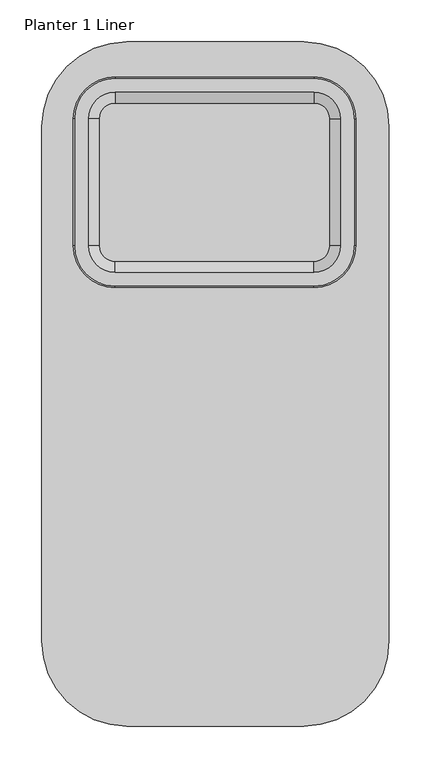
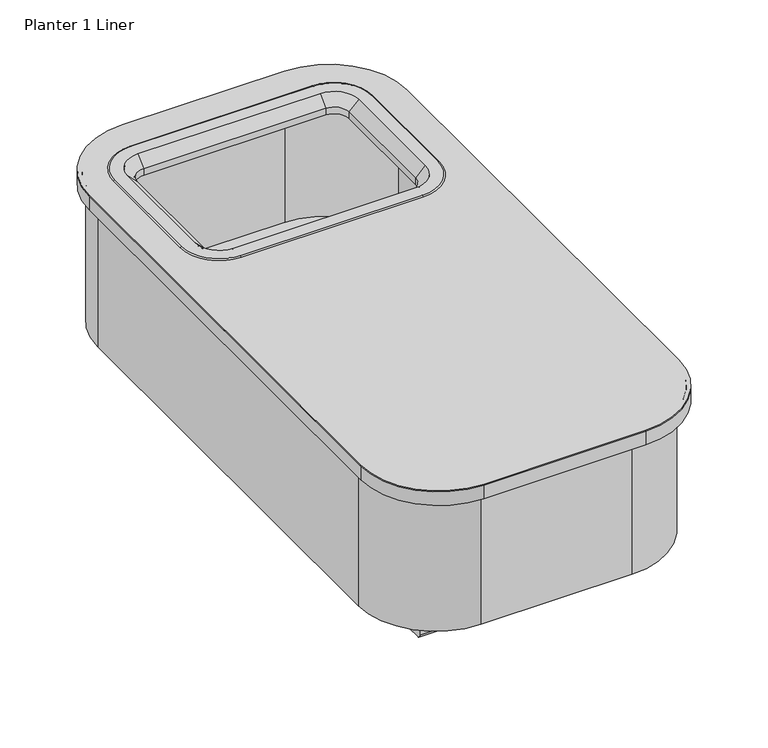
"""IFC4 building model written with IfcOpenShell, lengths in millimetres: furniture geometry, Planter 1 Liner."""

from ifc_helpers import new_model, si_unit, point, frame, frame_2d, origin, place, context, project, spatial, polyline, circle_curve, ellipse_curve, trimmed, segment, composite_curve, outline, extrude, source, transform, mapped, element, save
from ifc_brep_helpers import plane_surface, cylinder_surface, revolved_surface, advanced_brep


def planter_1_liner_2fb4910a(model_context):
    return source(origin(), model_context, "Body", "SolidModel", [
        advanced_brep(
        [(-99.8317392, 1.5738238, 336.1353963), (1.7667511, 103.1756653, 336.1353963), (1.7667511, 103.1756653, 337.5117024), (-99.8317392, 1.5738238, 337.5117024), (-99.8318137, 6.5835657, 317.458784), (-3.2429907, 103.1755745, 317.458784), (-3.2429907, 103.1755745, 336.1353963), (-99.8318137, 6.5835657, 336.1353963), (-311.6655737, 1.5706763, 337.5117024), (-311.6655737, 1.5706763, 336.1353963), (-311.6656481, 6.5804182, 336.1353963), (-311.6656481, 6.5804182, 317.458784), (-413.2670833, 103.1706763, 337.5117024), (-413.2670833, 103.1706763, 336.1353963), (-408.2573414, 103.1706763, 336.1353963), (-408.2573414, 103.1706763, 317.458784), (-413.2670833, 716.8822036, 337.5117024), (-413.2670833, 716.8822036, 336.1353963), (-408.2573414, 716.8822036, 336.1353963), (-408.2573414, 716.8822036, 317.458784), (-311.6674147, 818.4822036, 337.5117024), (-311.6674147, 818.4822036, 336.1353963), (-311.6673984, 813.4724617, 336.1353963), (-311.6673984, 813.4724617, 317.458784), (-356.4100674, 734.6877585, 317.458784), (-344.7208795, 751.9024687, 317.458784), (-344.7208795, 751.9024687, 337.5117024), (-356.4100674, 734.6877585, 337.5117024), (-99.8447036, 818.4828946, 337.5117024), (-99.8447036, 818.4828946, 336.1353963), (-99.8446872, 813.4731527, 336.1353963), (-99.8446872, 813.4731527, 317.458784), (1.7556278, 716.8847361, 337.5117024), (1.7556278, 716.8847361, 336.1353963), (-3.254114, 716.8846453, 336.1353963), (-3.254114, 716.8846453, 317.458784), (-325.7489393, 758.1941108, 337.5117024), (-88.0437417, 758.1941108, 337.5117024), (-56.2937417, 726.4441108, 337.5117024), (-56.2937417, 575.1960542, 337.5117024), (-88.0437417, 543.4460542, 337.5117024), (-325.7489393, 543.4460542, 337.5117024), (-357.4989393, 575.1960542, 337.5117024), (-357.4989393, 726.4441108, 337.5117024), (-357.4989393, 726.4441108, 317.458784), (-357.4989393, 575.1960542, 317.458784), (-325.7489393, 543.4460542, 317.458784), (-88.0437417, 543.4460542, 317.458784), (-56.2937417, 575.1960542, 317.458784), (-56.2937417, 726.4441108, 317.458784), (-88.0437417, 758.1941108, 317.458784), (-325.7489393, 758.1941108, 317.458784)],
        [
            (0, 1, circle_curve(frame((-99.8332488, 103.1738238, 336.1353963), z_axis=(0.0, 0.0, 1.0), x_axis=(0.9999999998357476, 1.8124700984641686e-05, 0.0)), 101.6)),
            (1, 2),
            (2, 3, circle_curve(frame((-99.8332488, 103.1738238, 337.5117024), z_axis=(0.0, 0.0, -1.0), x_axis=(0.9999999998357476, 1.8124700984641686e-05, 0.0)), 101.6)),
            (3, 0),
            (4, 5, circle_curve(frame((-99.8332488, 103.1738238, 317.458784), z_axis=(0.0, 0.0, 1.0), x_axis=(0.9999999998357476, 1.8124700984641686e-05, 0.0)), 96.5902581)),
            (5, 6),
            (6, 7, circle_curve(frame((-99.8332488, 103.1738238, 336.1353963), z_axis=(0.0, 0.0, -1.0), x_axis=(0.9999999998357476, 1.8124700984641686e-05, 0.0)), 96.5902581)),
            (7, 4),
            (3, 8),
            (8, 9),
            (9, 0),
            (7, 10),
            (10, 11),
            (11, 4),
            (8, 12, circle_curve(frame((-311.6670833, 103.1706763, 337.5117024), z_axis=(0.0, 0.0, -1.0), x_axis=(1.4858351040828129e-05, -0.9999999998896147, 0.0)), 101.6)),
            (12, 13),
            (13, 9, circle_curve(frame((-311.6670833, 103.1706763, 336.1353963), z_axis=(0.0, 0.0, 1.0), x_axis=(1.4858351040828129e-05, -0.9999999998896147, 0.0)), 101.6)),
            (10, 14, circle_curve(frame((-311.6670833, 103.1706763, 336.1353963), z_axis=(0.0, 0.0, -1.0), x_axis=(1.4858351040828129e-05, -0.9999999998896147, 0.0)), 96.5902581)),
            (14, 15),
            (15, 11, circle_curve(frame((-311.6670833, 103.1706763, 317.458784), z_axis=(0.0, 0.0, 1.0), x_axis=(1.4858351040828129e-05, -0.9999999998896147, 0.0)), 96.5902581)),
            (12, 16),
            (16, 17),
            (17, 13),
            (14, 18),
            (18, 19),
            (19, 15),
            (16, 20, circle_curve(frame((-311.6670833, 716.8822036, 337.5117024), z_axis=(0.0, 0.0, -1.0), x_axis=(-1.0, 0.0, 0.0)), 101.6)),
            (20, 21),
            (21, 17, circle_curve(frame((-311.6670833, 716.8822036, 336.1353963), z_axis=(0.0, 0.0, 1.0), x_axis=(-1.0, 0.0, 0.0)), 101.6)),
            (18, 22, circle_curve(frame((-311.6670833, 716.8822036, 336.1353963), z_axis=(0.0, 0.0, -1.0), x_axis=(-1.0, 0.0, 0.0)), 96.5902581)),
            (22, 23),
            (23, 19, circle_curve(frame((-311.6670833, 716.8822036, 317.458784), z_axis=(0.0, 0.0, 1.0), x_axis=(-1.0, 0.0, 0.0)), 96.5902581)),
            (24, 25, circle_curve(frame((-311.6670833, 716.8822036, 317.458784), z_axis=(0.0, 0.0, -1.0), x_axis=(-1.0, 0.0, 0.0)), 48.15571)),
            (25, 26),
            (26, 27, circle_curve(frame((-311.6670833, 716.8822036, 337.5117024), z_axis=(0.0, 0.0, 1.0), x_axis=(-1.0, 0.0, 0.0)), 48.15571)),
            (27, 24),
            (20, 28),
            (28, 29),
            (29, 21),
            (22, 30),
            (30, 31),
            (31, 23),
            (28, 32, circle_curve(frame((-99.8443721, 716.8828946, 337.5117024), z_axis=(0.0, 0.0, -1.0), x_axis=(-3.2622334666501638e-06, 0.9999999999946789, 0.0)), 101.6)),
            (32, 33),
            (33, 29, circle_curve(frame((-99.8443721, 716.8828946, 336.1353963), z_axis=(0.0, 0.0, 1.0), x_axis=(-3.2622334666501638e-06, 0.9999999999946789, 0.0)), 101.6)),
            (30, 34, circle_curve(frame((-99.8443721, 716.8828946, 336.1353963), z_axis=(0.0, 0.0, -1.0), x_axis=(-3.2622334666501638e-06, 0.9999999999946789, 0.0)), 96.5902581)),
            (34, 35),
            (35, 31, circle_curve(frame((-99.8443721, 716.8828946, 317.458784), z_axis=(0.0, 0.0, 1.0), x_axis=(-3.2622334666501638e-06, 0.9999999999946789, 0.0)), 96.5902581)),
            (2, 32),
            (26, 36, circle_curve(frame((-325.7489393, 726.4441108, 337.5117024), z_axis=(0.0, 0.0, -1.0), x_axis=(-1.0, 0.0, 0.0)), 31.75)),
            (36, 37),
            (37, 38, circle_curve(frame((-88.0437417, 726.4441108, 337.5117024), z_axis=(0.0, 0.0, -1.0), x_axis=(0.0, 1.0, 0.0)), 31.75)),
            (38, 39),
            (39, 40, circle_curve(frame((-88.0437417, 575.1960542, 337.5117024), z_axis=(0.0, 0.0, -1.0), x_axis=(1.0, 0.0, 0.0)), 31.75)),
            (40, 41),
            (41, 42, circle_curve(frame((-325.7489393, 575.1960542, 337.5117024), z_axis=(0.0, 0.0, -1.0), x_axis=(0.0, -1.0, 0.0)), 31.75)),
            (42, 43),
            (43, 27, circle_curve(frame((-325.7489393, 726.4441108, 337.5117024), z_axis=(0.0, 0.0, -1.0), x_axis=(-1.0, 0.0, 0.0)), 31.75)),
            (1, 33),
            (6, 34),
            (5, 35),
            (24, 44, circle_curve(frame((-325.7489393, 726.4441108, 317.458784), z_axis=(0.0, 0.0, 1.0), x_axis=(-1.0, 0.0, 0.0)), 31.75)),
            (44, 45),
            (45, 46, circle_curve(frame((-325.7489393, 575.1960542, 317.458784), z_axis=(0.0, 0.0, 1.0), x_axis=(0.0, -1.0, 0.0)), 31.75)),
            (46, 47),
            (47, 48, circle_curve(frame((-88.0437417, 575.1960542, 317.458784), z_axis=(0.0, 0.0, 1.0), x_axis=(1.0, 0.0, 0.0)), 31.75)),
            (48, 49),
            (49, 50, circle_curve(frame((-88.0437417, 726.4441108, 317.458784), z_axis=(0.0, 0.0, 1.0), x_axis=(0.0, 1.0, 0.0)), 31.75)),
            (50, 51),
            (51, 25, circle_curve(frame((-325.7489393, 726.4441108, 317.458784), z_axis=(0.0, 0.0, 1.0), x_axis=(-1.0, 0.0, 0.0)), 31.75)),
            (45, 42),
            (41, 46),
            (44, 43),
            (51, 36),
            (50, 37),
            (49, 38),
            (48, 39),
            (47, 40),
        ],
        [
            cylinder_surface(frame((-99.8332488, 103.1738238, 0.0), z_axis=(0.0, 0.0, -1.0), x_axis=(0.9999999998357476, 1.8124700984641686e-05, 0.0)), 101.6),
            cylinder_surface(frame((-99.8332488, 103.1738238, 0.0), z_axis=(0.0, 0.0, -1.0), x_axis=(0.9999999998357476, 1.8124700984641686e-05, 0.0)), 96.5902581),
            plane_surface(frame((-99.8317392, 1.5738238, 337.5117024), z_axis=(1.4858351040825947e-05, -0.9999999998896147, 0.0), x_axis=(-0.9999999998896147, -1.4858351040825947e-05, 0.0))),
            plane_surface(frame((-99.8318137, 6.5835657, 336.1353963), z_axis=(1.4858351040825947e-05, -0.9999999998896147, 0.0), x_axis=(-0.9999999998896147, -1.4858351040825947e-05, 0.0))),
            cylinder_surface(frame((-311.6670833, 103.1706763, 0.0), z_axis=(0.0, 0.0, -1.0), x_axis=(1.4858351040828129e-05, -0.9999999998896147, 0.0)), 101.6),
            cylinder_surface(frame((-311.6670833, 103.1706763, 0.0), z_axis=(0.0, 0.0, -1.0), x_axis=(1.4858351040828129e-05, -0.9999999998896147, 0.0)), 96.5902581),
            plane_surface(frame((-413.2670833, 103.1706763, 337.5117024), z_axis=(-1.0, 0.0, 0.0), x_axis=(0.0, 1.0, 0.0))),
            plane_surface(frame((-408.2573414, 103.1706763, 336.1353963), z_axis=(-1.0, 0.0, 0.0), x_axis=(0.0, 1.0, 0.0))),
            cylinder_surface(frame((-311.6670833, 716.8822036, 0.0), z_axis=(0.0, 0.0, -1.0), x_axis=(-1.0, 0.0, 0.0)), 101.6),
            cylinder_surface(frame((-311.6670833, 716.8822036, 0.0), z_axis=(0.0, 0.0, -1.0), x_axis=(-1.0, 0.0, 0.0)), 96.5902581),
            revolved_surface(polyline([(-359.8227933, 716.8822036, 317.458784), (-359.8227933, 716.8822036, 337.5117024)]), (-311.6670833, 716.8822036, 0.0), (0.0, 0.0, -1.0)),
            plane_surface(frame((-311.6674147, 818.4822036, 337.5117024), z_axis=(-3.2622334603762263e-06, 0.9999999999946789, 0.0), x_axis=(0.9999999999946789, 3.2622334603762263e-06, 0.0))),
            plane_surface(frame((-311.6673984, 813.4724617, 336.1353963), z_axis=(-3.2622334603762263e-06, 0.9999999999946789, 0.0), x_axis=(0.9999999999946789, 3.2622334603762263e-06, 0.0))),
            cylinder_surface(frame((-99.8443721, 716.8828946, 0.0), z_axis=(0.0, 0.0, -1.0), x_axis=(-3.2622334666501638e-06, 0.9999999999946789, 0.0)), 101.6),
            cylinder_surface(frame((-99.8443721, 716.8828946, 0.0), z_axis=(0.0, 0.0, -1.0), x_axis=(-3.2622334666501638e-06, 0.9999999999946789, 0.0)), 96.5902581),
            plane_surface(frame((-51.6886621, 716.8837674, 337.5117024), z_axis=(0.0, 0.0, 1.0), x_axis=(1.812470097833063e-05, -0.9999999998357476, 0.0))),
            plane_surface(frame((1.7556278, 716.8847361, 337.5117024), z_axis=(0.9999999998357476, 1.81247009783332e-05, 0.0), x_axis=(1.81247009783332e-05, -0.9999999998357476, 0.0))),
            plane_surface(frame((1.7556278, 716.8847361, 336.1353963), z_axis=(0.0, 0.0, -1.0), x_axis=(1.81247009783332e-05, -0.9999999998357476, 0.0))),
            plane_surface(frame((-3.254114, 716.8846453, 336.1353963), z_axis=(0.9999999998357476, 1.812470097833493e-05, 0.0), x_axis=(1.812470097833493e-05, -0.9999999998357476, 0.0))),
            plane_surface(frame((-3.254114, 716.8846453, 317.458784), z_axis=(0.0, 0.0, -1.0), x_axis=(1.812470097833493e-05, -0.9999999998357476, 0.0))),
            revolved_surface(polyline([(-325.7489393, 543.4460542, 317.458784), (-325.7489393, 543.4460542, 337.5117024)]), (-325.7489393, 575.1960542, 0.0), (0.0, 0.0, -1.0)),
            plane_surface(frame((-357.4989393, 575.1960542, 337.5117024), z_axis=(1.0, 0.0, 0.0), x_axis=(0.0, 0.0, -1.0))),
            revolved_surface(polyline([(-357.4989393, 726.4441108, 317.458784), (-357.4989393, 726.4441108, 337.5117024)]), (-325.7489393, 726.4441108, 0.0), (0.0, 0.0, -1.0)),
            plane_surface(frame((-325.7489393, 758.1941108, 337.5117024), z_axis=(0.0, -1.0, 0.0), x_axis=(0.0, 0.0, -1.0))),
            revolved_surface(polyline([(-88.0437417, 758.1941108, 317.458784), (-88.0437417, 758.1941108, 337.5117024)]), (-88.0437417, 726.4441108, 0.0), (0.0, 0.0, -1.0)),
            plane_surface(frame((-56.2937417, 726.4441108, 337.5117024), z_axis=(-1.0, 0.0, 0.0), x_axis=(0.0, 0.0, -1.0))),
            revolved_surface(polyline([(-56.2937417, 575.1960542, 317.458784), (-56.2937417, 575.1960542, 337.5117024)]), (-88.0437417, 575.1960542, 0.0), (0.0, 0.0, -1.0)),
            plane_surface(frame((-88.0437417, 543.4460542, 337.5117024), z_axis=(0.0, 1.0, 0.0), x_axis=(0.0, 0.0, -1.0))),
        ],
        [
            (0, [[1, 2, 3, 4]]),
            (1, [[5, 6, 7, 8]]),
            (2, [[-4, 9, 10, 11]]),
            (3, [[-8, 12, 13, 14]]),
            (4, [[-10, 15, 16, 17]]),
            (5, [[-13, 18, 19, 20]]),
            (6, [[-16, 21, 22, 23]]),
            (7, [[-19, 24, 25, 26]]),
            (8, [[-22, 27, 28, 29]]),
            (9, [[-25, 30, 31, 32]]),
            (10, [[33, 34, 35, 36]]),
            (11, [[-28, 37, 38, 39]]),
            (12, [[-31, 40, 41, 42]]),
            (13, [[-38, 43, 44, 45]]),
            (14, [[-41, 46, 47, 48]]),
            (15, [[-3, 49, -43, -37, -27, -21, -15, -9], [-35, 50, 51, 52, 53, 54, 55, 56, 57, 58]]),
            (16, [[-2, 59, -44, -49]]),
            (17, [[-1, -11, -17, -23, -29, -39, -45, -59], [-7, 60, -46, -40, -30, -24, -18, -12]]),
            (18, [[-6, 61, -47, -60]]),
            (19, [[-5, -14, -20, -26, -32, -42, -48, -61], [-33, 62, 63, 64, 65, 66, 67, 68, 69, 70]]),
            (20, [[-64, 71, -56, 72]]),
            (21, [[-63, 73, -57, -71]]),
            (22, [[-73, -62, -36, -58]]),
            (22, [[74, -50, -34, -70]]),
            (23, [[-69, 75, -51, -74]]),
            (24, [[-68, 76, -52, -75]]),
            (25, [[-67, 77, -53, -76]]),
            (26, [[-66, 78, -54, -77]]),
            (27, [[-65, -72, -55, -78]]),
        ],
    ),
        extrude(outline(composite_curve([segment(polyline([(-311.6674147, 818.4822036), (-99.8447036, 818.4828946)]), True, "CONTINUOUS"), segment(trimmed(circle_curve(frame_2d((-99.8443721, 716.8828946)), 101.6), [point((-99.8447036, 818.4828946))], [point((1.7556278, 716.8847361))], False, "CARTESIAN"), True, "CONTINUOUS"), segment(polyline([(1.7556278, 716.8847361), (1.7667511, 103.1756653)]), True, "CONTINUOUS"), segment(trimmed(circle_curve(frame_2d((-99.8332488, 103.1738238)), 101.6), [point((1.7667511, 103.1756653))], [point((-99.8317392, 1.5738238))], False, "CARTESIAN"), True, "CONTINUOUS"), segment(polyline([(-99.8317392, 1.5738238), (-311.6655737, 1.5706763)]), True, "CONTINUOUS"), segment(trimmed(circle_curve(frame_2d((-311.6670833, 103.1706763)), 101.6), [point((-311.6655737, 1.5706763))], [point((-413.2670833, 103.1706763))], False, "CARTESIAN"), True, "CONTINUOUS"), segment(polyline([(-413.2670833, 103.1706763), (-413.2670833, 716.8822036)]), True, "CONTINUOUS"), segment(trimmed(circle_curve(frame_2d((-311.6670833, 716.8822036)), 101.6), [point((-413.2670833, 716.8822036))], [point((-311.6674147, 818.4822036))], False, "CARTESIAN"), True, "CONTINUOUS")], self_intersect=False), holes=[composite_curve([segment(trimmed(circle_curve(frame_2d((-311.6670833, 716.8822036)), 96.52), [point((-311.6673981, 813.4022036))], [point((-408.1870833, 716.8822036))], True, "CARTESIAN"), True, "CONTINUOUS"), segment(polyline([(-408.1870833, 716.8822036), (-408.1870833, 103.1706763)]), True, "CONTINUOUS"), segment(trimmed(circle_curve(frame_2d((-311.6670833, 103.1706763)), 96.52), [point((-408.1870833, 103.1706763))], [point((-311.6656491, 6.6506763))], True, "CARTESIAN"), True, "CONTINUOUS"), segment(polyline([(-311.6656491, 6.6506763), (-99.8318147, 6.6538238)]), True, "CONTINUOUS"), segment(trimmed(circle_curve(frame_2d((-99.8332488, 103.1738238)), 96.52), [point((-99.8318147, 6.6538238))], [point((-3.3132489, 103.1755732))], True, "CARTESIAN"), True, "CONTINUOUS"), segment(polyline([(-3.3132489, 103.1755732), (-3.3243722, 716.884644)]), True, "CONTINUOUS"), segment(trimmed(circle_curve(frame_2d((-99.8443721, 716.8828946)), 96.52), [point((-3.3243722, 716.884644))], [point((-99.844687, 813.4028946))], True, "CARTESIAN"), True, "CONTINUOUS"), segment(polyline([(-99.844687, 813.4028946), (-311.6673981, 813.4022036)]), True, "CONTINUOUS")], self_intersect=False)]), frame((0.0, 0.0, 317.458784), z_axis=(0.0, 0.0, 1.0), x_axis=(1.0, 0.0, 0.0)), (0.0, 0.0, 1.0), 18.6766123),
        advanced_brep(
        [(-88.0437417, 524.922108, 337.5117024), (-37.7697955, 575.1960542, 337.5117024), (-39.5041047, 575.1960542, 339.0842809), (-88.0437417, 526.6564171, 339.0842809), (-325.7489393, 526.6564171, 339.0842809), (-325.7489393, 524.922108, 337.5117024), (-376.0228855, 575.1960542, 337.5117024), (-374.2885764, 575.1960542, 339.0842809), (-374.2885764, 726.4441108, 339.0842809), (-376.0228855, 726.4441108, 337.5117024), (-325.7489393, 776.718057, 337.5117024), (-325.7489393, 774.9837478, 339.0842809), (-88.0437417, 774.9837478, 339.0842809), (-88.0437417, 776.718057, 337.5117024), (-37.7697955, 726.4441108, 337.5117024), (-39.5041047, 726.4441108, 339.0842809), (-325.7489393, 758.1899065, 339.0842809), (-88.0437417, 758.1899065, 339.0842809), (-56.297946, 726.4441108, 339.0842809), (-56.297946, 575.1960542, 339.0842809), (-88.0437417, 543.4502585, 339.0842809), (-325.7489393, 543.4502585, 339.0842809), (-357.494735, 575.1960542, 339.0842809), (-357.494735, 726.4441108, 339.0842809), (-56.0744732, 575.1960542, 337.5117024), (-56.0744732, 726.4441108, 337.5117024), (-88.0437417, 758.4133793, 337.5117024), (-325.7489393, 758.4133793, 337.5117024), (-357.7182078, 726.4441108, 337.5117024), (-357.7182078, 575.1960542, 337.5117024), (-325.7489393, 543.2267857, 337.5117024), (-88.0437417, 543.2267857, 337.5117024), (-88.0437417, 554.9218418, 325.8166463), (-67.7695293, 575.1960542, 325.8166463), (-88.0437417, 554.9218418, 317.458784), (-67.7695293, 575.1960542, 317.458784), (-88.0437417, 556.1918418, 326.3426976), (-69.0395293, 575.1960542, 326.3426976), (-69.0395293, 575.1960542, 317.458784), (-88.0437417, 556.1918418, 317.458784), (-325.7489393, 554.9218418, 325.8166463), (-325.7489393, 554.9218418, 317.458784), (-325.7489393, 556.1918418, 317.458784), (-325.7489393, 556.1918418, 326.3426976), (-346.0231517, 575.1960542, 325.8166463), (-346.0231517, 575.1960542, 317.458784), (-344.7531517, 575.1960542, 326.3426976), (-344.7531517, 575.1960542, 317.458784), (-346.0231517, 726.4441108, 325.8166463), (-346.0231517, 726.4441108, 317.458784), (-344.7531517, 726.4441108, 317.458784), (-344.7531517, 726.4441108, 326.3426976), (-325.7489393, 746.7183232, 325.8166463), (-325.7489393, 746.7183232, 317.458784), (-325.7489393, 745.4483232, 326.3426976), (-325.7489393, 745.4483232, 317.458784), (-88.0437417, 746.7183232, 325.8166463), (-88.0437417, 746.7183232, 317.458784), (-88.0437417, 745.4483232, 317.458784), (-88.0437417, 745.4483232, 326.3426976), (-67.7695293, 726.4441108, 325.8166463), (-67.7695293, 726.4441108, 317.458784), (-69.0395293, 726.4441108, 326.3426976), (-69.0395293, 726.4441108, 317.458784)],
        [
            (0, 1, circle_curve(frame((-88.0437417, 575.1960542, 337.5117024), z_axis=(0.0, 0.0, 1.0), x_axis=(1.0, 0.0, 0.0)), 50.2739462)),
            (1, 2, circle_curve(frame((-39.5041047, 575.1960542, 337.3416552), z_axis=(0.0, -1.0, 0.0), x_axis=(1.0, 0.0, 0.0)), 1.7426257)),
            (2, 3, circle_curve(frame((-88.0437417, 575.1960542, 339.0842809), z_axis=(0.0, 0.0, -1.0), x_axis=(1.0, 0.0, 0.0)), 48.539637)),
            (3, 0, circle_curve(frame((-88.0437417, 526.6564171, 337.3416552), z_axis=(1.0, 0.0, 0.0), x_axis=(0.0, -1.0, 0.0)), 1.7426257)),
            (3, 4),
            (4, 5, circle_curve(frame((-325.7489393, 526.6564171, 337.3416552), z_axis=(1.0, 0.0, 0.0), x_axis=(0.0, -1.0, 0.0)), 1.7426257)),
            (5, 0),
            (6, 5, circle_curve(frame((-325.7489393, 575.1960542, 337.5117024), z_axis=(0.0, 0.0, 1.0), x_axis=(0.0, -1.0, 0.0)), 50.2739462)),
            (4, 7, circle_curve(frame((-325.7489393, 575.1960542, 339.0842809), z_axis=(0.0, 0.0, -1.0), x_axis=(0.0, -1.0, 0.0)), 48.539637)),
            (7, 6, circle_curve(frame((-374.2885764, 575.1960542, 337.3416552), z_axis=(0.0, -1.0, 0.0), x_axis=(-1.0, 0.0, 0.0)), 1.7426257)),
            (7, 8),
            (8, 9, circle_curve(frame((-374.2885764, 726.4441108, 337.3416552), z_axis=(0.0, -1.0, 0.0), x_axis=(-1.0, 0.0, 0.0)), 1.7426257)),
            (9, 6),
            (10, 9, circle_curve(frame((-325.7489393, 726.4441108, 337.5117024), z_axis=(0.0, 0.0, 1.0), x_axis=(-1.0, 0.0, 0.0)), 50.2739462)),
            (8, 11, circle_curve(frame((-325.7489393, 726.4441108, 339.0842809), z_axis=(0.0, 0.0, -1.0), x_axis=(-1.0, 0.0, 0.0)), 48.539637)),
            (11, 10, circle_curve(frame((-325.7489393, 774.9837478, 337.3416552), z_axis=(-1.0, 0.0, 0.0), x_axis=(0.0, 1.0, 0.0)), 1.7426257)),
            (11, 12),
            (12, 13, circle_curve(frame((-88.0437417, 774.9837478, 337.3416552), z_axis=(-1.0, 0.0, 0.0), x_axis=(0.0, 1.0, 0.0)), 1.7426257)),
            (13, 10),
            (14, 13, circle_curve(frame((-88.0437417, 726.4441108, 337.5117024), z_axis=(0.0, 0.0, 1.0), x_axis=(0.0, 1.0, 0.0)), 50.2739462)),
            (12, 15, circle_curve(frame((-88.0437417, 726.4441108, 339.0842809), z_axis=(0.0, 0.0, -1.0), x_axis=(0.0, 1.0, 0.0)), 48.539637)),
            (15, 14, circle_curve(frame((-39.5041047, 726.4441108, 337.3416552), z_axis=(0.0, 1.0, 0.0), x_axis=(1.0, 0.0, 0.0)), 1.7426257)),
            (2, 15),
            (16, 17),
            (17, 18, circle_curve(frame((-88.0437417, 726.4441108, 339.0842809), z_axis=(0.0, 0.0, -1.0), x_axis=(0.0, 1.0, 0.0)), 31.7457957)),
            (18, 19),
            (19, 20, circle_curve(frame((-88.0437417, 575.1960542, 339.0842809), z_axis=(0.0, 0.0, -1.0), x_axis=(1.0, 0.0, 0.0)), 31.7457957)),
            (20, 21),
            (21, 22, circle_curve(frame((-325.7489393, 575.1960542, 339.0842809), z_axis=(0.0, 0.0, -1.0), x_axis=(0.0, -1.0, 0.0)), 31.7457957)),
            (22, 23),
            (23, 16, circle_curve(frame((-325.7489393, 726.4441108, 339.0842809), z_axis=(0.0, 0.0, -1.0), x_axis=(-1.0, 0.0, 0.0)), 31.7457957)),
            (1, 14),
            (24, 25),
            (25, 26, circle_curve(frame((-88.0437417, 726.4441108, 337.5117024), z_axis=(0.0, 0.0, 1.0), x_axis=(0.0, 1.0, 0.0)), 31.9692685)),
            (26, 27),
            (27, 28, circle_curve(frame((-325.7489393, 726.4441108, 337.5117024), z_axis=(0.0, 0.0, 1.0), x_axis=(-1.0, 0.0, 0.0)), 31.9692685)),
            (28, 29),
            (29, 30, circle_curve(frame((-325.7489393, 575.1960542, 337.5117024), z_axis=(0.0, 0.0, 1.0), x_axis=(0.0, -1.0, 0.0)), 31.9692685)),
            (30, 31),
            (31, 24, circle_curve(frame((-88.0437417, 575.1960542, 337.5117024), z_axis=(0.0, 0.0, 1.0), x_axis=(1.0, 0.0, 0.0)), 31.9692685)),
            (32, 33, circle_curve(frame((-88.0437417, 575.1960542, 325.8166463), z_axis=(0.0, 0.0, 1.0), x_axis=(1.0, 0.0, 0.0)), 20.2742124)),
            (33, 24),
            (31, 32),
            (34, 35, circle_curve(frame((-88.0437417, 575.1960542, 317.458784), z_axis=(0.0, 0.0, 1.0), x_axis=(1.0, 0.0, 0.0)), 20.2742124)),
            (35, 33),
            (32, 34),
            (36, 37, circle_curve(frame((-88.0437417, 575.1960542, 326.3426976), z_axis=(0.0, 0.0, 1.0), x_axis=(1.0, 0.0, 0.0)), 19.0042124)),
            (37, 38),
            (38, 39, circle_curve(frame((-88.0437417, 575.1960542, 317.458784), z_axis=(0.0, 0.0, -1.0), x_axis=(1.0, 0.0, 0.0)), 19.0042124)),
            (39, 36),
            (19, 37),
            (36, 20),
            (30, 40),
            (40, 32),
            (40, 41),
            (41, 34),
            (39, 42),
            (42, 43),
            (43, 36),
            (43, 21),
            (44, 40, circle_curve(frame((-325.7489393, 575.1960542, 325.8166463), z_axis=(0.0, 0.0, 1.0), x_axis=(0.0, -1.0, 0.0)), 20.2742124)),
            (29, 44),
            (45, 41, circle_curve(frame((-325.7489393, 575.1960542, 317.458784), z_axis=(0.0, 0.0, 1.0), x_axis=(0.0, -1.0, 0.0)), 20.2742124)),
            (44, 45),
            (46, 43, circle_curve(frame((-325.7489393, 575.1960542, 326.3426976), z_axis=(0.0, 0.0, 1.0), x_axis=(0.0, -1.0, 0.0)), 19.0042124)),
            (42, 47, circle_curve(frame((-325.7489393, 575.1960542, 317.458784), z_axis=(0.0, 0.0, -1.0), x_axis=(0.0, -1.0, 0.0)), 19.0042124)),
            (47, 46),
            (46, 22),
            (28, 48),
            (48, 44),
            (48, 49),
            (49, 45),
            (47, 50),
            (50, 51),
            (51, 46),
            (51, 23),
            (52, 48, circle_curve(frame((-325.7489393, 726.4441108, 325.8166463), z_axis=(0.0, 0.0, 1.0), x_axis=(-1.0, 0.0, 0.0)), 20.2742124)),
            (27, 52),
            (53, 49, circle_curve(frame((-325.7489393, 726.4441108, 317.458784), z_axis=(0.0, 0.0, 1.0), x_axis=(-1.0, 0.0, 0.0)), 20.2742124)),
            (52, 53),
            (54, 51, circle_curve(frame((-325.7489393, 726.4441108, 326.3426976), z_axis=(0.0, 0.0, 1.0), x_axis=(-1.0, 0.0, 0.0)), 19.0042124)),
            (50, 55, circle_curve(frame((-325.7489393, 726.4441108, 317.458784), z_axis=(0.0, 0.0, -1.0), x_axis=(-1.0, 0.0, 0.0)), 19.0042124)),
            (55, 54),
            (54, 16),
            (26, 56),
            (56, 52),
            (56, 57),
            (57, 53),
            (55, 58),
            (58, 59),
            (59, 54),
            (59, 17),
            (60, 56, circle_curve(frame((-88.0437417, 726.4441108, 325.8166463), z_axis=(0.0, 0.0, 1.0), x_axis=(0.0, 1.0, 0.0)), 20.2742124)),
            (25, 60),
            (61, 57, circle_curve(frame((-88.0437417, 726.4441108, 317.458784), z_axis=(0.0, 0.0, 1.0), x_axis=(0.0, 1.0, 0.0)), 20.2742124)),
            (60, 61),
            (62, 59, circle_curve(frame((-88.0437417, 726.4441108, 326.3426976), z_axis=(0.0, 0.0, 1.0), x_axis=(0.0, 1.0, 0.0)), 19.0042124)),
            (58, 63, circle_curve(frame((-88.0437417, 726.4441108, 317.458784), z_axis=(0.0, 0.0, -1.0), x_axis=(0.0, 1.0, 0.0)), 19.0042124)),
            (63, 62),
            (62, 18),
            (33, 60),
            (35, 61),
            (38, 63),
            (37, 62),
        ],
        [
            revolved_surface(trimmed(ellipse_curve(frame((-39.5041047, 575.1960542, 337.3416552), z_axis=(0.0, 1.0, 0.0), x_axis=(1.0, 0.0, 0.0)), 1.7426257, 1.7426257), [point((-39.5041047, 575.1960542, 339.0842809))], [point((-37.7697955, 575.1960542, 337.5117024))], True, "CARTESIAN"), (-88.0437417, 575.1960542, 0.0), (0.0, 0.0, -1.0)),
            cylinder_surface(frame((-88.0437417, 526.6564171, 337.3416552), z_axis=(1.0, 0.0, 0.0), x_axis=(0.0, -1.0, 0.0)), 1.7426257),
            revolved_surface(trimmed(ellipse_curve(frame((-325.7489393, 526.6564171, 337.3416552), z_axis=(1.0, 0.0, 0.0), x_axis=(0.0, -1.0, 0.0)), 1.7426257, 1.7426257), [point((-325.7489393, 526.6564171, 339.0842809))], [point((-325.7489393, 524.922108, 337.5117024))], True, "CARTESIAN"), (-325.7489393, 575.1960542, 0.0), (0.0, 0.0, -1.0)),
            cylinder_surface(frame((-374.2885764, 575.1960542, 337.3416552), z_axis=(0.0, -1.0, 0.0), x_axis=(-1.0, 0.0, 0.0)), 1.7426257),
            revolved_surface(trimmed(ellipse_curve(frame((-374.2885764, 726.4441108, 337.3416552), z_axis=(0.0, -1.0, 0.0), x_axis=(-1.0, 0.0, 0.0)), 1.7426257, 1.7426257), [point((-374.2885764, 726.4441108, 339.0842809))], [point((-376.0228855, 726.4441108, 337.5117024))], True, "CARTESIAN"), (-325.7489393, 726.4441108, 0.0), (0.0, 0.0, -1.0)),
            cylinder_surface(frame((-325.7489393, 774.9837478, 337.3416552), z_axis=(-1.0, 0.0, 0.0), x_axis=(0.0, 1.0, 0.0)), 1.7426257),
            revolved_surface(trimmed(ellipse_curve(frame((-88.0437417, 774.9837478, 337.3416552), z_axis=(-1.0, 0.0, 0.0), x_axis=(0.0, 1.0, 0.0)), 1.7426257, 1.7426257), [point((-88.0437417, 774.9837478, 339.0842809))], [point((-88.0437417, 776.718057, 337.5117024))], True, "CARTESIAN"), (-88.0437417, 726.4441108, 0.0), (0.0, 0.0, -1.0)),
            plane_surface(frame((-56.297946, 726.4441108, 339.0842809), z_axis=(0.0, 0.0, 1.0), x_axis=(0.0, -1.0, 0.0))),
            cylinder_surface(frame((-39.5041047, 726.4441108, 337.3416552), z_axis=(0.0, 1.0, 0.0), x_axis=(1.0, 0.0, 0.0)), 1.7426257),
            plane_surface(frame((-37.7697955, 726.4441108, 337.5117024), z_axis=(0.0, 0.0, -1.0), x_axis=(0.0, -1.0, 0.0))),
            revolved_surface(polyline([(-56.0744732, 575.1960542, 337.5117024), (-67.7695293, 575.1960542, 325.8166463)]), (-88.0437417, 575.1960542, 0.0), (0.0, 0.0, -1.0)),
            cylinder_surface(frame((-88.0437417, 575.1960542, 0.0), z_axis=(0.0, 0.0, -1.0), x_axis=(1.0, 0.0, 0.0)), 20.2742124),
            revolved_surface(polyline([(-69.0395293, 575.1960542, 317.458784), (-69.0395293, 575.1960542, 326.3426976)]), (-88.0437417, 575.1960542, 0.0), (0.0, 0.0, -1.0)),
            revolved_surface(polyline([(-69.0395293, 575.1960542, 326.3426976), (-56.297946, 575.1960542, 339.0842809)]), (-88.0437417, 575.1960542, 0.0), (0.0, 0.0, -1.0)),
            plane_surface(frame((-88.0437417, 543.2267857, 337.5117024), z_axis=(0.0, -0.7071067811865476, -0.7071067811865476), x_axis=(-1.0, 0.0, 0.0))),
            plane_surface(frame((-88.0437417, 554.9218418, 325.8166463), z_axis=(0.0, -1.0, 0.0), x_axis=(-1.0, 0.0, 0.0))),
            plane_surface(frame((-88.0437417, 556.1918418, 317.458784), z_axis=(0.0, 1.0, 0.0), x_axis=(-1.0, 0.0, 0.0))),
            plane_surface(frame((-88.0437417, 556.1918418, 326.3426976), z_axis=(0.0, 0.7071067811865476, 0.7071067811865476), x_axis=(-1.0, 0.0, 0.0))),
            revolved_surface(polyline([(-325.7489393, 543.2267857, 337.5117024), (-325.7489393, 554.9218418, 325.8166463)]), (-325.7489393, 575.1960542, 0.0), (0.0, 0.0, -1.0)),
            cylinder_surface(frame((-325.7489393, 575.1960542, 0.0), z_axis=(0.0, 0.0, -1.0), x_axis=(0.0, -1.0, 0.0)), 20.2742124),
            revolved_surface(polyline([(-325.7489393, 556.1918418, 317.458784), (-325.7489393, 556.1918418, 326.3426976)]), (-325.7489393, 575.1960542, 0.0), (0.0, 0.0, -1.0)),
            revolved_surface(polyline([(-325.7489393, 556.1918418, 326.3426976), (-325.7489393, 543.4502585, 339.0842809)]), (-325.7489393, 575.1960542, 0.0), (0.0, 0.0, -1.0)),
            plane_surface(frame((-357.7182078, 575.1960542, 337.5117024), z_axis=(-0.7071067811865476, 0.0, -0.7071067811865476), x_axis=(0.0, 1.0, 0.0))),
            plane_surface(frame((-346.0231517, 575.1960542, 325.8166463), z_axis=(-1.0, 0.0, 0.0), x_axis=(0.0, 1.0, 0.0))),
            plane_surface(frame((-344.7531517, 575.1960542, 317.458784), z_axis=(1.0, 0.0, 0.0), x_axis=(0.0, 1.0, 0.0))),
            plane_surface(frame((-344.7531517, 575.1960542, 326.3426976), z_axis=(0.7071067811865476, 0.0, 0.7071067811865476), x_axis=(0.0, 1.0, 0.0))),
            revolved_surface(polyline([(-357.7182078, 726.4441108, 337.5117024), (-346.0231517, 726.4441108, 325.8166463)]), (-325.7489393, 726.4441108, 0.0), (0.0, 0.0, -1.0)),
            cylinder_surface(frame((-325.7489393, 726.4441108, 0.0), z_axis=(0.0, 0.0, -1.0), x_axis=(-1.0, 0.0, 0.0)), 20.2742124),
            revolved_surface(polyline([(-344.7531517, 726.4441108, 317.458784), (-344.7531517, 726.4441108, 326.3426976)]), (-325.7489393, 726.4441108, 0.0), (0.0, 0.0, -1.0)),
            revolved_surface(polyline([(-344.7531517, 726.4441108, 326.3426976), (-357.494735, 726.4441108, 339.0842809)]), (-325.7489393, 726.4441108, 0.0), (0.0, 0.0, -1.0)),
            plane_surface(frame((-325.7489393, 758.4133793, 337.5117024), z_axis=(0.0, 0.7071067811865476, -0.7071067811865476), x_axis=(1.0, 0.0, 0.0))),
            plane_surface(frame((-325.7489393, 746.7183232, 325.8166463), z_axis=(0.0, 1.0, 0.0), x_axis=(1.0, 0.0, 0.0))),
            plane_surface(frame((-325.7489393, 745.4483232, 317.458784), z_axis=(0.0, -1.0, 0.0), x_axis=(1.0, 0.0, 0.0))),
            plane_surface(frame((-325.7489393, 745.4483232, 326.3426976), z_axis=(0.0, -0.7071067811865476, 0.7071067811865476), x_axis=(1.0, 0.0, 0.0))),
            revolved_surface(polyline([(-88.0437417, 758.4133793, 337.5117024), (-88.0437417, 746.7183232, 325.8166463)]), (-88.0437417, 726.4441108, 0.0), (0.0, 0.0, -1.0)),
            cylinder_surface(frame((-88.0437417, 726.4441108, 0.0), z_axis=(0.0, 0.0, -1.0), x_axis=(0.0, 1.0, 0.0)), 20.2742124),
            revolved_surface(polyline([(-88.0437417, 745.4483232, 317.458784), (-88.0437417, 745.4483232, 326.3426976)]), (-88.0437417, 726.4441108, 0.0), (0.0, 0.0, -1.0)),
            revolved_surface(polyline([(-88.0437417, 745.4483232, 326.3426976), (-88.0437417, 758.1899065, 339.0842809)]), (-88.0437417, 726.4441108, 0.0), (0.0, 0.0, -1.0)),
            plane_surface(frame((-56.0744732, 726.4441108, 337.5117024), z_axis=(0.7071067811865476, 0.0, -0.7071067811865476), x_axis=(0.0, -1.0, 0.0))),
            plane_surface(frame((-67.7695293, 726.4441108, 325.8166463), z_axis=(1.0, 0.0, 0.0), x_axis=(0.0, -1.0, 0.0))),
            plane_surface(frame((-67.7695293, 726.4441108, 317.458784), z_axis=(0.0, 0.0, -1.0), x_axis=(0.0, -1.0, 0.0))),
            plane_surface(frame((-69.0395293, 726.4441108, 317.458784), z_axis=(-1.0, 0.0, 0.0), x_axis=(0.0, -1.0, 0.0))),
            plane_surface(frame((-69.0395293, 726.4441108, 326.3426976), z_axis=(-0.7071067811865476, 0.0, 0.7071067811865476), x_axis=(0.0, -1.0, 0.0))),
        ],
        [
            (0, [[1, 2, 3, 4]]),
            (1, [[-4, 5, 6, 7]]),
            (2, [[8, -6, 9, 10]]),
            (3, [[-10, 11, 12, 13]]),
            (4, [[14, -12, 15, 16]]),
            (5, [[-16, 17, 18, 19]]),
            (6, [[20, -18, 21, 22]]),
            (7, [[23, -21, -17, -15, -11, -9, -5, -3], [24, 25, 26, 27, 28, 29, 30, 31]]),
            (8, [[-22, -23, -2, 32]]),
            (9, [[-19, -20, -32, -1, -7, -8, -13, -14], [33, 34, 35, 36, 37, 38, 39, 40]]),
            (10, [[41, 42, -40, 43]]),
            (11, [[44, 45, -41, 46]]),
            (12, [[47, 48, 49, 50]]),
            (13, [[-27, 51, -47, 52]]),
            (14, [[-43, -39, 53, 54]]),
            (15, [[-46, -54, 55, 56]]),
            (16, [[-50, 57, 58, 59]]),
            (17, [[-52, -59, 60, -28]]),
            (18, [[61, -53, -38, 62]]),
            (19, [[63, -55, -61, 64]]),
            (20, [[65, -58, 66, 67]]),
            (21, [[-29, -60, -65, 68]]),
            (22, [[-62, -37, 69, 70]]),
            (23, [[-64, -70, 71, 72]]),
            (24, [[-67, 73, 74, 75]]),
            (25, [[-68, -75, 76, -30]]),
            (26, [[77, -69, -36, 78]]),
            (27, [[79, -71, -77, 80]]),
            (28, [[81, -74, 82, 83]]),
            (29, [[-31, -76, -81, 84]]),
            (30, [[-78, -35, 85, 86]]),
            (31, [[-80, -86, 87, 88]]),
            (32, [[-83, 89, 90, 91]]),
            (33, [[-84, -91, 92, -24]]),
            (34, [[93, -85, -34, 94]]),
            (35, [[95, -87, -93, 96]]),
            (36, [[97, -90, 98, 99]]),
            (37, [[-25, -92, -97, 100]]),
            (38, [[-94, -33, -42, 101]]),
            (39, [[-96, -101, -45, 102]]),
            (40, [[-88, -95, -102, -44, -56, -63, -72, -79], [103, -98, -89, -82, -73, -66, -57, -49]]),
            (41, [[-99, -103, -48, 104]]),
            (42, [[-100, -104, -51, -26]]),
        ],
    ),
        extrude(outline(composite_curve([segment(trimmed(circle_curve(frame_2d((-303.8321315, 707.9918722)), 95.25), [point((-399.0821315, 707.9918722))], [point((-303.8321315, 803.2418722))], False, "CARTESIAN"), True, "CONTINUOUS"), segment(polyline([(-303.8321315, 803.2418722), (-109.5250383, 803.2418722)]), True, "CONTINUOUS"), segment(trimmed(circle_curve(frame_2d((-109.5250383, 707.9918722)), 95.25), [point((-109.5250383, 803.2418722))], [point((-14.2750383, 707.9918722))], False, "CARTESIAN"), True, "CONTINUOUS"), segment(polyline([(-14.2750383, 707.9918722), (-14.2750383, 120.3961637)]), True, "CONTINUOUS"), segment(trimmed(circle_curve(frame_2d((-108.2550383, 120.3961637)), 93.98), [point((-14.2750383, 120.3961637))], [point((-108.2550383, 26.4161637))], False, "CARTESIAN"), True, "CONTINUOUS"), segment(polyline([(-108.2550383, 26.4161637), (-305.1021315, 26.4161637)]), True, "CONTINUOUS"), segment(trimmed(circle_curve(frame_2d((-305.1021315, 120.3961637)), 93.98), [point((-305.1021315, 26.4161637))], [point((-399.0821315, 120.3961637))], False, "CARTESIAN"), True, "CONTINUOUS"), segment(polyline([(-399.0821315, 120.3961637), (-399.0821315, 707.9918722)]), True, "CONTINUOUS")], self_intersect=False)), frame((0.0, 0.0, 131.1254356), z_axis=(0.0, 0.0, 1.0), x_axis=(1.0, 0.0, 0.0)), (0.0, 0.0, 1.0), 10.0545105),
        extrude(outline(composite_curve([segment(trimmed(circle_curve(frame_2d((108.865872, 125.0107271)), 5.08), [point((103.785872, 125.0107271))], [point((108.865872, 130.0907271))], False, "CARTESIAN"), True, "CONTINUOUS"), segment(polyline([(108.865872, 130.0907271), (128.9876575, 130.0907271)]), True, "CONTINUOUS"), segment(trimmed(circle_curve(frame_2d((128.9876575, 125.0107271)), 5.08), [point((128.9876575, 130.0907271))], [point((134.0676575, 125.0107271))], False, "CARTESIAN"), True, "CONTINUOUS"), segment(polyline([(134.0676575, 125.0107271), (134.0676575, 75.5475648)]), True, "CONTINUOUS"), segment(trimmed(circle_curve(frame_2d((129.0980339, 75.5475648)), 4.9696236), [point((134.0676575, 75.5475648))], [point((129.0980339, 70.5779413))], False, "CARTESIAN"), True, "CONTINUOUS"), segment(polyline([(129.0980339, 70.5779413), (108.865872, 70.5779413)]), True, "CONTINUOUS"), segment(trimmed(circle_curve(frame_2d((108.865872, 75.6579413)), 5.08), [point((108.865872, 70.5779413))], [point((103.785872, 75.6579413))], False, "CARTESIAN"), True, "CONTINUOUS"), segment(polyline([(103.785872, 75.6579413), (103.785872, 125.0107271)]), True, "CONTINUOUS")], self_intersect=False)), frame((-335.7539124, 0.0, 0.0), z_axis=(1.0, 0.0, 0.0), x_axis=(0.0, 1.0, 0.0)), (0.0, 0.0, 1.0), 259.9987358),
        extrude(outline(composite_curve([segment(trimmed(circle_curve(frame_2d((688.6735965, 125.0107271)), 5.08), [point((683.5935965, 125.0107271))], [point((688.6735965, 130.0907271))], False, "CARTESIAN"), True, "CONTINUOUS"), segment(polyline([(688.6735965, 130.0907271), (708.795382, 130.0907271)]), True, "CONTINUOUS"), segment(trimmed(circle_curve(frame_2d((708.795382, 125.0107271)), 5.08), [point((708.795382, 130.0907271))], [point((713.875382, 125.0107271))], False, "CARTESIAN"), True, "CONTINUOUS"), segment(polyline([(713.875382, 125.0107271), (713.875382, 75.5475648)]), True, "CONTINUOUS"), segment(trimmed(circle_curve(frame_2d((708.9057584, 75.5475648)), 4.9696236), [point((713.875382, 75.5475648))], [point((708.9057584, 70.5779413))], False, "CARTESIAN"), True, "CONTINUOUS"), segment(polyline([(708.9057584, 70.5779413), (688.6735965, 70.5779413)]), True, "CONTINUOUS"), segment(trimmed(circle_curve(frame_2d((688.6735965, 75.6579413)), 5.08), [point((688.6735965, 70.5779413))], [point((683.5935965, 75.6579413))], False, "CARTESIAN"), True, "CONTINUOUS"), segment(polyline([(683.5935965, 75.6579413), (683.5935965, 125.0107271)]), True, "CONTINUOUS")], self_intersect=False)), frame((-335.7539124, 0.0, 0.0), z_axis=(1.0, 0.0, 0.0), x_axis=(0.0, 1.0, 0.0)), (0.0, 0.0, 1.0), 259.9987358),
        extrude(outline(composite_curve([segment(trimmed(circle_curve(frame_2d((-108.2550383, 709.2618722)), 101.6), [point((-108.2550383, 810.8618722))], [point((-6.6550383, 709.2618722))], False, "CARTESIAN"), True, "CONTINUOUS"), segment(polyline([(-6.6550383, 709.2618722), (-6.6550383, 120.3961637)]), True, "CONTINUOUS"), segment(trimmed(circle_curve(frame_2d((-108.2550383, 120.3961637)), 101.6), [point((-6.6550383, 120.3961637))], [point((-108.2550383, 18.7961637))], False, "CARTESIAN"), True, "CONTINUOUS"), segment(polyline([(-108.2550383, 18.7961637), (-305.1021315, 18.7961637)]), True, "CONTINUOUS"), segment(trimmed(circle_curve(frame_2d((-305.1021315, 120.3961637)), 101.6), [point((-305.1021315, 18.7961637))], [point((-406.7021315, 120.3961637))], False, "CARTESIAN"), True, "CONTINUOUS"), segment(polyline([(-406.7021315, 120.3961637), (-406.7021315, 709.2618722)]), True, "CONTINUOUS"), segment(trimmed(circle_curve(frame_2d((-305.1021315, 709.2618722)), 101.6), [point((-406.7021315, 709.2618722))], [point((-305.1021315, 810.8618722))], False, "CARTESIAN"), True, "CONTINUOUS"), segment(polyline([(-305.1021315, 810.8618722), (-108.2550383, 810.8618722)]), True, "CONTINUOUS")], self_intersect=False), holes=[composite_curve([segment(trimmed(circle_curve(frame_2d((-108.2550383, 120.3961637)), 93.98), [point((-108.2550383, 26.4161637))], [point((-14.2750383, 120.3961637))], True, "CARTESIAN"), True, "CONTINUOUS"), segment(polyline([(-14.2750383, 120.3961637), (-14.2750383, 709.2618722)]), True, "CONTINUOUS"), segment(trimmed(circle_curve(frame_2d((-108.2550383, 709.2618722)), 93.98), [point((-14.2750383, 709.2618722))], [point((-108.2550383, 803.2418722))], True, "CARTESIAN"), True, "CONTINUOUS"), segment(polyline([(-108.2550383, 803.2418722), (-305.1021315, 803.2418722)]), True, "CONTINUOUS"), segment(trimmed(circle_curve(frame_2d((-305.1021315, 709.2618722)), 93.98), [point((-305.1021315, 803.2418722))], [point((-399.0821315, 709.2618722))], True, "CARTESIAN"), True, "CONTINUOUS"), segment(polyline([(-399.0821315, 709.2618722), (-399.0821315, 120.3961637)]), True, "CONTINUOUS"), segment(trimmed(circle_curve(frame_2d((-305.1021315, 120.3961637)), 93.98), [point((-399.0821315, 120.3961637))], [point((-305.1021315, 26.4161637))], True, "CARTESIAN"), True, "CONTINUOUS"), segment(polyline([(-305.1021315, 26.4161637), (-108.2550383, 26.4161637)]), True, "CONTINUOUS")], self_intersect=False)]), frame((0.0, 0.0, 131.1254356), z_axis=(0.0, 0.0, 1.0), x_axis=(1.0, 0.0, 0.0)), (0.0, 0.0, 1.0), 186.3333484),
    ])


if __name__ == "__main__":
    model = new_model("IFC4")
    model_context = context("Model", 3, world=origin())
    ifc_project = project(units=[si_unit("LENGTHUNIT", "METRE", prefix="MILLI")], contexts=[model_context])
    site = spatial("IfcSite", under=ifc_project)
    building = spatial("IfcBuilding", under=site)
    placement = place(None, origin())
    planter_1_liner_shape = planter_1_liner_2fb4910a(model_context)
    element("IfcFurniture", 1, ObjectType="Planter 1 Liner", at=placement, inside=building, context=model_context, shape_type="MappedRepresentation", body=[
        mapped(planter_1_liner_shape, transform((0.0, 0.0, 0.0), x_axis=(1.0, 0.0, 0.0), y_axis=(0.0, 1.0, 0.0), z_axis=(0.0, 0.0, 1.0))),
    ])
    save(model, "model.ifc")
